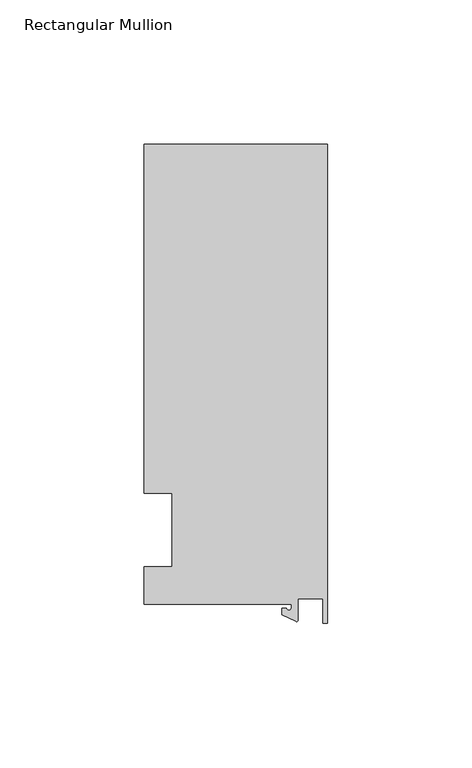
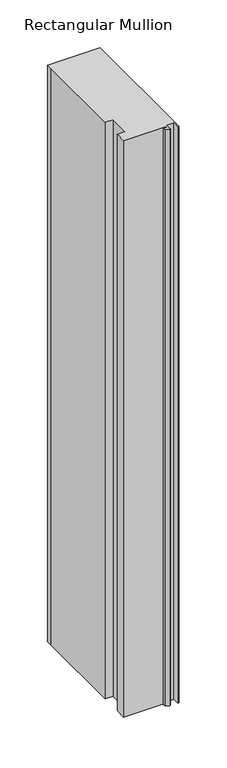
"""IFC4 building model written with IfcOpenShell, lengths in millimetres: member geometry, Rectangular Mullion."""

from ifc_helpers import new_model, si_unit, point, frame, frame_2d, origin, place, context, project, spatial, polyline, circle_curve, trimmed, segment, composite_curve, outline, extrude, source, transform, mapped, element, save


def rectangular_mullion_930498e2(model_context):
    return source(origin(), model_context, "Body", "SweptSolid", [
        extrude(outline(composite_curve([segment(polyline([(-12.6173814, -25.796875), (-63.5, -25.796875), (-63.5, -12.7), (-53.975, -12.7), (-53.975, 12.7), (-63.5, 12.7), (-63.5, 125.8114907), (-63.5, 133.34365), (0.0, 133.34365), (0.0, -32.288874), (-1.5658966, -32.288874), (-1.7144124, -23.9227662), (-10.2297814, -23.9227662), (-10.2297814, -31.2414327)]), True, "CONTINUOUS"), segment(trimmed(circle_curve(frame_2d((-10.7377814, -31.2414327)), 0.508), [point((-10.2297814, -31.2414327))], [point((-10.9524715, -31.7018371))], False, "CARTESIAN"), True, "CONTINUOUS"), segment(polyline([(-10.9524715, -31.7018371), (-15.7923814, -29.44495), (-15.7923814, -27.0827507), (-14.2048814, -27.0827507)]), True, "CONTINUOUS"), segment(trimmed(circle_curve(frame_2d((-13.4111314, -27.0827507)), 0.79375), [point((-14.2048814, -27.0827507))], [point((-12.6173814, -27.0827507))], True, "CARTESIAN"), True, "CONTINUOUS"), segment(polyline([(-12.6173814, -27.0827507), (-12.6173814, -25.796875)]), True, "CONTINUOUS")], self_intersect=False)), frame((0.0, 0.0, -736.6), z_axis=(0.0, 0.0, 1.0), x_axis=(1.0, 0.0, 0.0)), (0.0, 0.0, 1.0), 736.6),
    ])


if __name__ == "__main__":
    model = new_model("IFC4")
    model_context = context("Model", 3, world=origin())
    ifc_project = project(units=[si_unit("LENGTHUNIT", "METRE", prefix="MILLI")], contexts=[model_context])
    site = spatial("IfcSite", under=ifc_project)
    building = spatial("IfcBuilding", under=site)
    placement = place(None, origin())
    rectangular_mullion_shape = rectangular_mullion_930498e2(model_context)
    element("IfcMember", 1, ObjectType="Rectangular Mullion", at=placement, inside=building, context=model_context, shape_type="MappedRepresentation", body=[
        mapped(rectangular_mullion_shape, transform((0.0, 0.0, 0.0), x_axis=(1.0, 0.0, 0.0), y_axis=(0.0, 1.0, 0.0), z_axis=(0.0, 0.0, 1.0))),
    ])
    save(model, "model.ifc")
